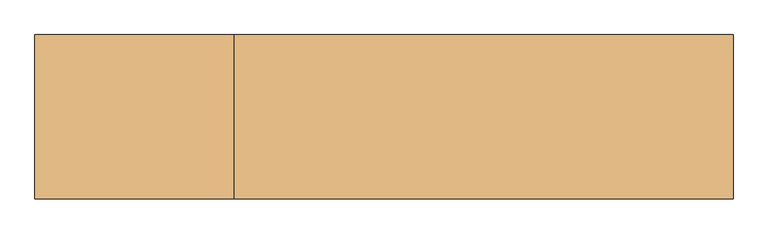
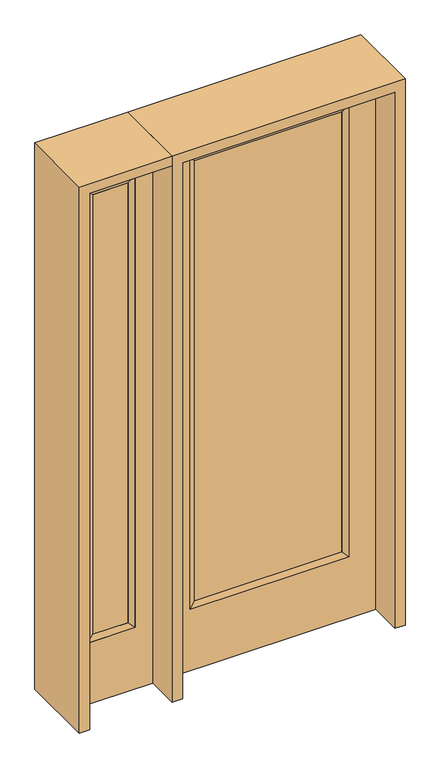
"""IFC4 building model written with IfcOpenShell, lengths in millimetres: door geometry."""

from ifc_helpers import new_model, si_unit, frame, origin, place, context, project, spatial, polyline, outline, extrude, faceted_brep, source, transform, mapped, element, save


def door_e3ba7ba2(model_context):
    return source(origin(), model_context, "Body", "SolidModel", [
        extrude(outline(polyline([(316.3824, -12.7039749), (-316.3824, -12.7039749), (-316.3824, 14.2875), (316.3824, 14.2875), (316.3824, -12.7039749)])), frame((0.0, 0.0, 304.8), z_axis=(0.0, 0.0, 1.0), x_axis=(1.0, 0.0, 0.0)), (0.0, 0.0, 1.0), 2000.25),
        faceted_brep([(316.3824, 14.2875, 2305.05), (341.7824, 22.225, 2330.45), (341.7824, 22.225, 279.4), (316.3824, 14.2875, 304.8), (341.7824, -22.225, 2330.45), (341.7824, -22.225, 279.4), (-341.7824, 22.225, 279.4), (-316.3824, 14.2875, 304.8), (316.3824, -12.7039749, 2305.05), (316.3824, -12.7039749, 304.8), (-316.3824, -12.7039749, 304.8), (-341.7824, -22.225, 279.4), (-341.7824, 22.225, 2330.45), (-316.3824, 14.2875, 2305.05), (-316.3824, -12.7039749, 2305.05), (-341.7824, -22.225, 2330.45)], [[[0, 1, 2, 3]], [[1, 4, 5, 2]], [[3, 2, 6, 7]], [[8, 0, 3, 9]], [[9, 3, 7, 10]], [[4, 8, 9, 5]], [[5, 9, 10, 11]], [[2, 5, 11, 6]], [[7, 6, 12, 13]], [[10, 7, 13, 14]], [[11, 10, 14, 15]], [[6, 11, 15, 12]], [[13, 12, 1, 0]], [[14, 13, 0, 8]], [[15, 14, 8, 4]], [[12, 15, 4, 1]]]),
        extrude(outline(polyline([(0.0, -457.2), (0.0, 457.2), (2438.4, 457.2), (2438.4, -457.2), (0.0, -457.2)]), holes=[polyline([(279.4, -341.7824), (2330.45, -341.7824), (2330.45, 341.7824), (279.4, 341.7824), (279.4, -341.7824)])]), frame((0.0, -22.225, 0.0), z_axis=(0.0, 1.0, 0.0), x_axis=(0.0, 0.0, 1.0)), (0.0, 0.0, 1.0), 44.45),
        faceted_brep([(-577.85, 20.6375, 2330.45), (-577.85, -20.6375, 2330.45), (-577.85, -20.6375, 279.4), (-577.85, 20.6375, 279.4), (-603.25, -12.7, 2305.05), (-603.25, -12.7, 304.8), (-781.05, -20.6375, 279.4), (-781.05, 20.6375, 279.4), (-603.25, 12.7, 2305.05), (-603.25, 12.7, 304.8), (-755.65, 12.7, 304.8), (-755.65, -12.7, 304.8), (-781.05, -20.6375, 2330.45), (-781.05, 20.6375, 2330.45), (-755.65, 12.7, 2305.05), (-755.65, -12.7, 2305.05)], [[[0, 1, 2, 3]], [[1, 4, 5, 2]], [[3, 2, 6, 7]], [[8, 0, 3, 9]], [[9, 3, 7, 10]], [[4, 8, 9, 5]], [[5, 9, 10, 11]], [[2, 5, 11, 6]], [[7, 6, 12, 13]], [[10, 7, 13, 14]], [[11, 10, 14, 15]], [[6, 11, 15, 12]], [[13, 12, 1, 0]], [[14, 13, 0, 8]], [[15, 14, 8, 4]], [[12, 15, 4, 1]]]),
        extrude(outline(polyline([(0.0, -857.25), (0.0, -501.65), (2438.4, -501.65), (2438.4, -857.25), (0.0, -857.25)]), holes=[polyline([(2330.45, -577.85), (279.4, -577.85), (279.4, -781.05), (2330.45, -781.05), (2330.45, -577.85)])]), frame((0.0, -20.6375, 0.0), z_axis=(0.0, 1.0, 0.0), x_axis=(0.0, 0.0, 1.0)), (0.0, 0.0, 1.0), 41.275),
        extrude(outline(polyline([(-603.25, -12.7), (-755.65, -12.7), (-755.65, 12.7), (-603.25, 12.7), (-603.25, -12.7)])), frame((0.0, 0.0, 301.625), z_axis=(0.0, 0.0, 1.0), x_axis=(1.0, 0.0, 0.0)), (0.0, 0.0, 1.0), 2003.425),
        extrude(outline(polyline([(2438.4, -501.65), (2482.85, -501.65), (2482.85, -901.7), (0.0, -901.7), (0.0, -857.25), (2438.4, -857.25), (2438.4, -501.65)])), frame((0.0, -165.1, 0.0), z_axis=(0.0, 1.0, 0.0), x_axis=(0.0, 0.0, 1.0)), (0.0, 0.0, 1.0), 330.2),
        extrude(outline(polyline([(2482.85, -501.65), (0.0, -501.65), (0.0, -457.2), (2438.4, -457.2), (2438.4, 457.2), (0.0, 457.2), (0.0, 501.65), (2482.85, 501.65), (2482.85, -501.65)])), frame((0.0, -165.1, 0.0), z_axis=(0.0, 1.0, 0.0), x_axis=(0.0, 0.0, 1.0)), (0.0, 0.0, 1.0), 330.2),
    ])


if __name__ == "__main__":
    model = new_model("IFC4")
    model_context = context("Model", 3, world=origin())
    ifc_project = project(units=[si_unit("LENGTHUNIT", "METRE", prefix="MILLI")], contexts=[model_context])
    site = spatial("IfcSite", under=ifc_project)
    building = spatial("IfcBuilding", under=site)
    placement = place(None, origin())
    door_shape = door_e3ba7ba2(model_context)
    element("IfcDoor", 1, at=placement, inside=building, context=model_context, shape_type="MappedRepresentation", body=[
        mapped(door_shape, transform((0.0, 0.0, 0.0), x_axis=(1.0, 0.0, 0.0), y_axis=(0.0, 1.0, 0.0), z_axis=(0.0, 0.0, 1.0))),
    ])
    save(model, "model.ifc")
